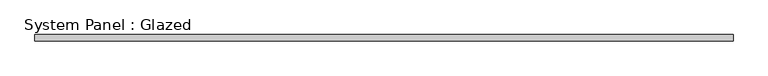
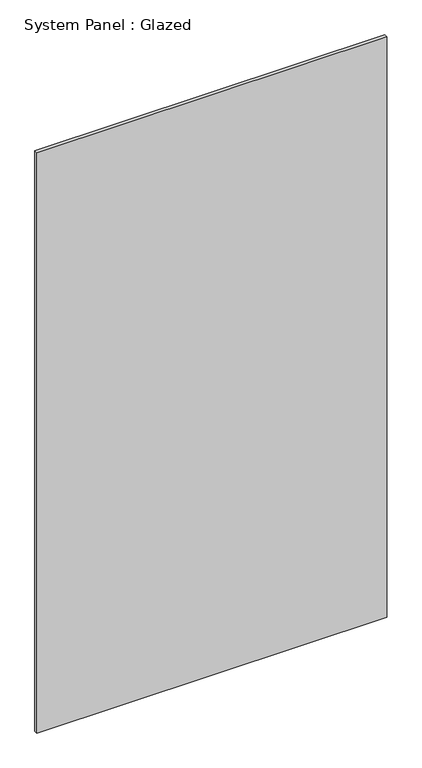
"""IFC4 building model written with IfcOpenShell, lengths in millimetres: plate geometry, System Panel : Glazed."""

from ifc_helpers import new_model, si_unit, origin, origin_with_axes, place, context, project, spatial, polyline, outline, extrude, source, transform, mapped, element, save


def system_panel_glazed_41701228(model_context):
    return source(origin(), model_context, "Body", "SweptSolid", [
        extrude(outline(polyline([(712.5663942, -6.5), (-712.5663942, -6.5), (-712.5663942, 6.5), (712.5663942, 6.5), (712.5663942, -6.5)])), origin_with_axes(), (0.0, 0.0, 1.0), 2500.0),
    ])


if __name__ == "__main__":
    model = new_model("IFC4")
    model_context = context("Model", 3, world=origin())
    ifc_project = project(units=[si_unit("LENGTHUNIT", "METRE", prefix="MILLI")], contexts=[model_context])
    site = spatial("IfcSite", under=ifc_project)
    building = spatial("IfcBuilding", under=site)
    placement = place(None, origin())
    system_panel_glazed_shape = system_panel_glazed_41701228(model_context)
    element("IfcPlate", 1, ObjectType="System Panel : Glazed", at=placement, inside=building, context=model_context, shape_type="MappedRepresentation", body=[
        mapped(system_panel_glazed_shape, transform((0.0, 0.0, 0.0), x_axis=(1.0, 0.0, 0.0), y_axis=(0.0, 1.0, 0.0), z_axis=(0.0, 0.0, 1.0))),
    ])
    save(model, "model.ifc")
